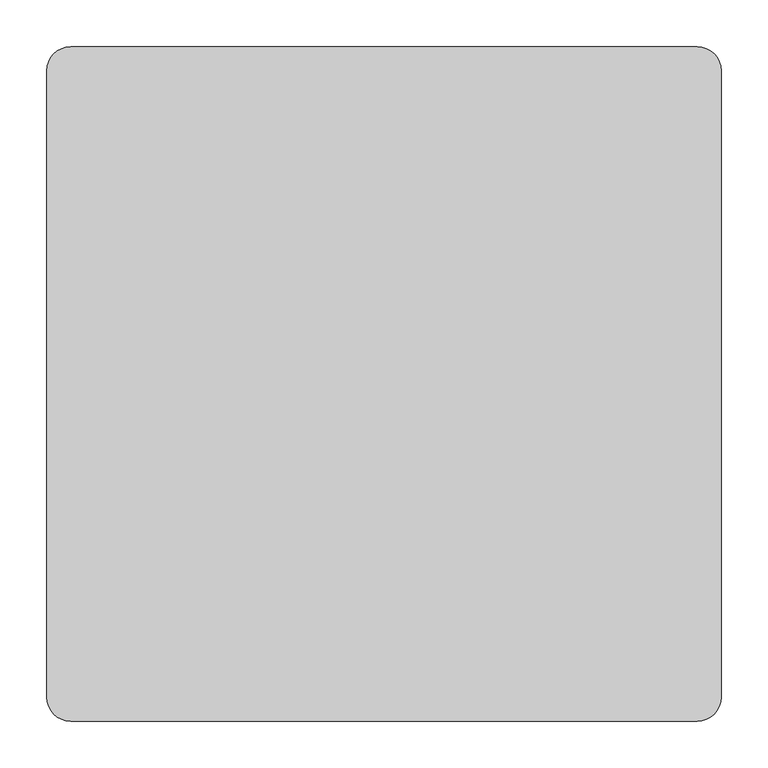
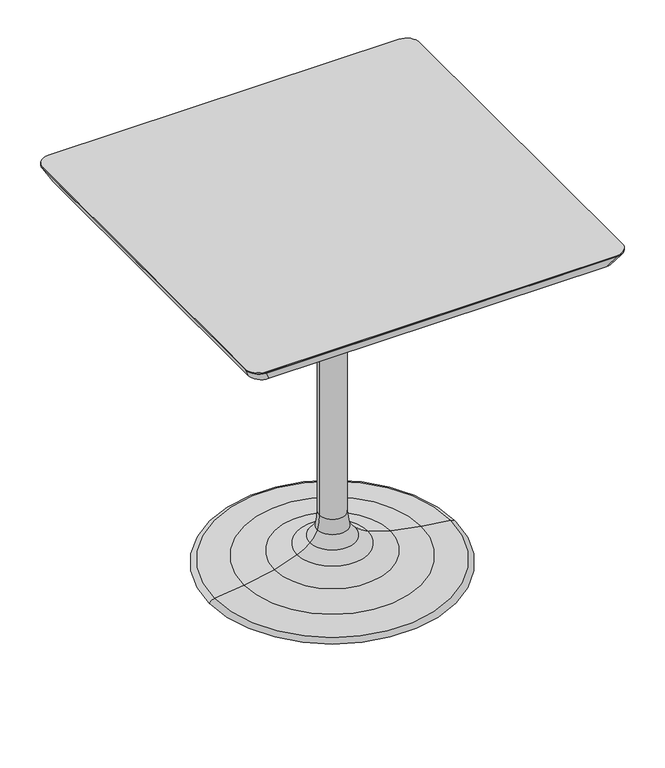
"""IFC4 building model written with IfcOpenShell, lengths in millimetres: furniture geometry."""

from ifc_helpers import new_model, si_unit, point, frame, frame_2d, origin, place, context, project, spatial, polyline, circle_curve, ellipse_curve, trimmed, segment, composite_curve, outline, extrude, source, transform, mapped, element, save
from ifc_brep_helpers import plane_surface, cylinder_surface, revolved_surface, extruded_surface, advanced_brep


def furniture_5439a801(model_context):
    return source(origin(), model_context, "Body", "SolidModel", [
        advanced_brep(
        [(-24.92375, 0.0, 103.9034704), (24.92375, 0.0, 103.9034704), (28.9852947, 0.0, 76.2614348), (-28.9852947, 0.0, 76.2614348), (-235.1702385, 0.0, 0.0), (235.1702385, 0.0, 0.0), (0.0, 0.0, 0.0), (-225.5797628, 0.0, 6.3317609), (225.5797628, 0.0, 6.3317609), (-169.5916105, 0.0, 13.7450132), (169.5916105, 0.0, 13.7450132), (-111.1444513, 0.0, 24.5145298), (111.1444513, 0.0, 24.5145298), (-67.9920708, 0.0, 39.4343904), (67.9920708, 0.0, 39.4343904), (-43.5947227, 0.0, 55.2178338), (43.5947227, 0.0, 55.2178338), (-24.92375, 0.0, 694.6138), (24.92375, 0.0, 694.6138), (0.0, 0.0, 694.6138)],
        [
            (0, 1, circle_curve(frame((0.0, 0.0, 103.9034704), z_axis=(0.0, 0.0, -1.0), x_axis=(1.0, 0.0, 0.0)), 24.92375)),
            (1, 2, circle_curve(frame((114.4590349, 0.0, 102.9398086), z_axis=(0.0, -1.0, 0.0), x_axis=(1.0, 0.0, 0.0)), 89.5404706)),
            (2, 3, circle_curve(frame((0.0, 0.0, 76.2614348), z_axis=(0.0, 0.0, 1.0), x_axis=(1.0, 0.0, 0.0)), 28.9852947)),
            (3, 0, circle_curve(frame((-114.4590349, 0.0, 102.9398086), z_axis=(0.0, -1.0, 0.0), x_axis=(-1.0, 0.0, 0.0)), 89.5404706)),
            (1, 0, circle_curve(frame((0.0, 0.0, 103.9034704), z_axis=(0.0, 0.0, -1.0), x_axis=(1.0, 0.0, 0.0)), 24.92375)),
            (3, 2, circle_curve(frame((0.0, 0.0, 76.2614348), z_axis=(0.0, 0.0, 1.0), x_axis=(1.0, 0.0, 0.0)), 28.9852947)),
            (4, 5, circle_curve(frame((0.0, 0.0, 0.0), z_axis=(0.0, 0.0, -1.0), x_axis=(1.0, 0.0, 0.0)), 235.1702385)),
            (5, 6),
            (6, 4),
            (5, 4, circle_curve(frame((0.0, 0.0, 0.0), z_axis=(0.0, 0.0, -1.0), x_axis=(1.0, 0.0, 0.0)), 235.1702385)),
            (7, 8, circle_curve(frame((0.0, 0.0, 6.3317609), z_axis=(0.0, 0.0, -1.0), x_axis=(1.0, 0.0, 0.0)), 225.5797628)),
            (8, 5, circle_curve(frame((223.5189163, 0.0, -7.2187678), z_axis=(0.0, 1.0, 0.0), x_axis=(1.0, 0.0, 0.0)), 13.7063459)),
            (4, 7, circle_curve(frame((-223.5189163, 0.0, -7.2187678), z_axis=(0.0, 1.0, 0.0), x_axis=(-1.0, 0.0, 0.0)), 13.7063459)),
            (8, 7, circle_curve(frame((0.0, 0.0, 6.3317609), z_axis=(0.0, 0.0, -1.0), x_axis=(1.0, 0.0, 0.0)), 225.5797628)),
            (9, 10, circle_curve(frame((0.0, 0.0, 13.7450132), z_axis=(0.0, 0.0, -1.0), x_axis=(1.0, 0.0, 0.0)), 169.5916105)),
            (10, 8, circle_curve(frame((5.4338515, 0.0, -1441.1770536), z_axis=(0.0, 1.0, 0.0), x_axis=(1.0, 0.0, 0.0)), 1464.1536771)),
            (7, 9, circle_curve(frame((-5.4338515, 0.0, -1441.1770536), z_axis=(0.0, 1.0, 0.0), x_axis=(-1.0, 0.0, 0.0)), 1464.1536771)),
            (10, 9, circle_curve(frame((0.0, 0.0, 13.7450132), z_axis=(0.0, 0.0, -1.0), x_axis=(1.0, 0.0, 0.0)), 169.5916105)),
            (11, 12, circle_curve(frame((0.0, 0.0, 24.5145298), z_axis=(0.0, 0.0, -1.0), x_axis=(1.0, 0.0, 0.0)), 111.1444513)),
            (12, 10, circle_curve(frame((217.3187895, 0.0, 436.7486305), z_axis=(0.0, -1.0, 0.0), x_axis=(1.0, 0.0, 0.0)), 425.687613)),
            (9, 11, circle_curve(frame((-217.3187895, 0.0, 436.7486305), z_axis=(0.0, -1.0, 0.0), x_axis=(-1.0, 0.0, 0.0)), 425.687613)),
            (12, 11, circle_curve(frame((0.0, 0.0, 24.5145298), z_axis=(0.0, 0.0, -1.0), x_axis=(1.0, 0.0, 0.0)), 111.1444513)),
            (13, 14, circle_curve(frame((0.0, 0.0, 39.4343904), z_axis=(0.0, 0.0, -1.0), x_axis=(1.0, 0.0, 0.0)), 67.9920708)),
            (14, 12, circle_curve(frame((181.690368, 0.0, 298.4171793), z_axis=(0.0, -1.0, 0.0), x_axis=(1.0, 0.0, 0.0)), 282.8416301)),
            (11, 13, circle_curve(frame((-181.690368, 0.0, 298.4171793), z_axis=(0.0, -1.0, 0.0), x_axis=(-1.0, 0.0, 0.0)), 282.8416301)),
            (14, 13, circle_curve(frame((0.0, 0.0, 39.4343904), z_axis=(0.0, 0.0, -1.0), x_axis=(1.0, 0.0, 0.0)), 67.9920708)),
            (15, 16, circle_curve(frame((0.0, 0.0, 55.2178338), z_axis=(0.0, 0.0, -1.0), x_axis=(1.0, 0.0, 0.0)), 43.5947227)),
            (16, 14, circle_curve(frame((104.5303424, 0.0, 122.6615249), z_axis=(0.0, -1.0, 0.0), x_axis=(1.0, 0.0, 0.0)), 90.894451)),
            (13, 15, circle_curve(frame((-104.5303424, 0.0, 122.6615249), z_axis=(0.0, -1.0, 0.0), x_axis=(-1.0, 0.0, 0.0)), 90.894451)),
            (16, 15, circle_curve(frame((0.0, 0.0, 55.2178338), z_axis=(0.0, 0.0, -1.0), x_axis=(1.0, 0.0, 0.0)), 43.5947227)),
            (2, 16, circle_curve(frame((81.3908921, 0.0, 97.0507254), z_axis=(0.0, -1.0, 0.0), x_axis=(1.0, 0.0, 0.0)), 56.3785529)),
            (15, 3, circle_curve(frame((-81.3908921, 0.0, 97.0507254), z_axis=(0.0, -1.0, 0.0), x_axis=(-1.0, 0.0, 0.0)), 56.3785529)),
            (17, 18, circle_curve(frame((0.0, 0.0, 694.6138), z_axis=(0.0, 0.0, -1.0), x_axis=(1.0, 0.0, 0.0)), 24.92375)),
            (18, 1),
            (0, 17),
            (18, 17, circle_curve(frame((0.0, 0.0, 694.6138), z_axis=(0.0, 0.0, -1.0), x_axis=(1.0, 0.0, 0.0)), 24.92375)),
            (19, 18),
            (17, 19),
        ],
        [
            revolved_surface(trimmed(ellipse_curve(frame((114.4590349, 0.0, 102.9398086), z_axis=(0.0, 1.0, 0.0), x_axis=(1.0, 0.0, 0.0)), 89.5404706, 89.5404706), [point((28.9852947, 0.0, 76.2614348))], [point((24.92375, 0.0, 103.9034704))], True, "CARTESIAN"), (0.0, 0.0, 2146.909579), (0.0, 0.0, 1.0)),
            plane_surface(frame((0.0, 0.0, 0.0), z_axis=(0.0, 0.0, -1.0), x_axis=(1.0, 0.0, 0.0))),
            revolved_surface(trimmed(ellipse_curve(frame((223.5189163, 0.0, -7.2187678), z_axis=(0.0, -1.0, 0.0), x_axis=(1.0, 0.0, 0.0)), 13.7063459, 13.7063459), [point((235.1702385, 0.0, 0.0))], [point((225.5797628, 0.0, 6.3317609))], True, "CARTESIAN"), (0.0, 0.0, 2146.909579), (0.0, 0.0, 1.0)),
            revolved_surface(trimmed(ellipse_curve(frame((5.4338515, 0.0, -1441.1770536), z_axis=(0.0, -1.0, 0.0), x_axis=(1.0, 0.0, 0.0)), 1464.1536771, 1464.1536771), [point((225.5797628, 0.0, 6.3317609))], [point((169.5916105, 0.0, 13.7450132))], True, "CARTESIAN"), (0.0, 0.0, 2146.909579), (0.0, 0.0, 1.0)),
            revolved_surface(trimmed(ellipse_curve(frame((217.3187895, 0.0, 436.7486305), z_axis=(0.0, 1.0, 0.0), x_axis=(1.0, 0.0, 0.0)), 425.687613, 425.687613), [point((169.5916105, 0.0, 13.7450132))], [point((111.1444513, 0.0, 24.5145298))], True, "CARTESIAN"), (0.0, 0.0, 2146.909579), (0.0, 0.0, 1.0)),
            revolved_surface(trimmed(ellipse_curve(frame((181.690368, 0.0, 298.4171793), z_axis=(0.0, 1.0, 0.0), x_axis=(1.0, 0.0, 0.0)), 282.8416301, 282.8416301), [point((111.1444513, 0.0, 24.5145298))], [point((67.9920708, 0.0, 39.4343904))], True, "CARTESIAN"), (0.0, 0.0, 2146.909579), (0.0, 0.0, 1.0)),
            revolved_surface(trimmed(ellipse_curve(frame((104.5303424, 0.0, 122.6615249), z_axis=(0.0, 1.0, 0.0), x_axis=(1.0, 0.0, 0.0)), 90.894451, 90.894451), [point((67.9920708, 0.0, 39.4343904))], [point((43.5947227, 0.0, 55.2178338))], True, "CARTESIAN"), (0.0, 0.0, 2146.909579), (0.0, 0.0, 1.0)),
            revolved_surface(trimmed(ellipse_curve(frame((81.3908921, 0.0, 97.0507254), z_axis=(0.0, 1.0, 0.0), x_axis=(1.0, 0.0, 0.0)), 56.3785529, 56.3785529), [point((43.5947227, 0.0, 55.2178338))], [point((28.9852947, 0.0, 76.2614348))], True, "CARTESIAN"), (0.0, 0.0, 2146.909579), (0.0, 0.0, 1.0)),
            cylinder_surface(frame((0.0, 0.0, 2146.909579), z_axis=(0.0, 0.0, 1.0), x_axis=(1.0, 0.0, 0.0)), 24.92375),
            plane_surface(frame((0.0, 0.0, 694.6138), z_axis=(0.0, 0.0, 1.0), x_axis=(1.0, 0.0, 0.0))),
        ],
        [
            (0, [[1, 2, 3, 4]]),
            (0, [[5, -4, 6, -2]]),
            (1, [[7, 8, 9]]),
            (1, [[10, -9, -8]]),
            (2, [[11, 12, -7, 13]]),
            (2, [[14, -13, -10, -12]]),
            (3, [[15, 16, -11, 17]]),
            (3, [[18, -17, -14, -16]]),
            (4, [[19, 20, -15, 21]]),
            (4, [[22, -21, -18, -20]]),
            (5, [[23, 24, -19, 25]]),
            (5, [[26, -25, -22, -24]]),
            (6, [[27, 28, -23, 29]]),
            (6, [[30, -29, -26, -28]]),
            (7, [[-3, 31, -27, 32]]),
            (7, [[-6, -32, -30, -31]]),
            (8, [[33, 34, -1, 35]]),
            (8, [[36, -35, -5, -34]]),
            (9, [[37, -33, 38]]),
            (9, [[-38, -36, -37]]),
        ],
    ),
        advanced_brep(
        [(-359.99928, 334.59928, 717.4738), (-359.99928, -334.59928, 717.4738), (-334.59928, -359.99928, 717.4738), (334.59928, -359.99928, 717.4738), (359.99928, -334.59928, 717.4738), (359.99928, 334.59928, 717.4738), (334.59928, 359.99928, 717.4738), (-334.59928, 359.99928, 717.4738), (-347.29928, 321.89928, 694.6138), (-321.89928, 347.29928, 694.6138), (321.89928, 347.29928, 694.6138), (347.29928, 321.89928, 694.6138), (347.29928, -321.89928, 694.6138), (321.89928, -347.29928, 694.6138), (-321.89928, -347.29928, 694.6138), (-347.29928, -321.89928, 694.6138)],
        [
            (0, 1),
            (1, 2, circle_curve(frame((-334.59928, -334.59928, 717.4738), z_axis=(0.0, 0.0, 1.0), x_axis=(1.0, 0.0, 0.0)), 25.4)),
            (2, 3),
            (3, 4, circle_curve(frame((334.59928, -334.59928, 717.4738), z_axis=(0.0, 0.0, 1.0), x_axis=(1.0, 0.0, 0.0)), 25.4)),
            (4, 5),
            (5, 6, circle_curve(frame((334.59928, 334.59928, 717.4738), z_axis=(0.0, 0.0, 1.0), x_axis=(1.0, 0.0, 0.0)), 25.4)),
            (6, 7),
            (7, 0, circle_curve(frame((-334.59928, 334.59928, 717.4738), z_axis=(0.0, 0.0, 1.0), x_axis=(1.0, 0.0, 0.0)), 25.4)),
            (8, 9, circle_curve(frame((-321.89928, 321.89928, 694.6138), z_axis=(0.0, 0.0, -1.0), x_axis=(1.0, 0.0, 0.0)), 25.4)),
            (9, 10),
            (10, 11, circle_curve(frame((321.89928, 321.89928, 694.6138), z_axis=(0.0, 0.0, -1.0), x_axis=(1.0, 0.0, 0.0)), 25.4)),
            (11, 12),
            (12, 13, circle_curve(frame((321.89928, -321.89928, 694.6138), z_axis=(0.0, 0.0, -1.0), x_axis=(1.0, 0.0, 0.0)), 25.4)),
            (13, 14),
            (14, 15, circle_curve(frame((-321.89928, -321.89928, 694.6138), z_axis=(0.0, 0.0, -1.0), x_axis=(1.0, 0.0, 0.0)), 25.4)),
            (15, 8),
            (15, 1),
            (0, 8),
            (14, 2),
            (13, 3),
            (12, 4),
            (11, 5),
            (10, 6),
            (9, 7),
        ],
        [
            plane_surface(frame((0.0, 0.0, 717.4738), z_axis=(0.0, 0.0, 1.0), x_axis=(0.0, -1.0, 0.0))),
            plane_surface(frame((0.0, 0.0, 694.6138), z_axis=(0.0, 0.0, -1.0), x_axis=(0.0, -1.0, 0.0))),
            plane_surface(frame((-347.29928, 0.0, 694.6138), z_axis=(-0.8741572761215368, 0.0, -0.4856429311786339), x_axis=(0.0, -1.0, 0.0))),
            extruded_surface(trimmed(circle_curve(frame((-321.89928, -321.89928, 694.6138), z_axis=(0.0, 0.0, 1.0), x_axis=(1.0, 0.0, 0.0)), 25.4), [point((-347.29928, -321.89928, 694.6138))], [point((-321.89928, -347.29928, 694.6138))], True, "CARTESIAN"), (-12.700000000000045, -12.700000000000045, 22.860000000000014), 29.071628781339427),
            plane_surface(frame((0.0, -347.29928, 694.6138), z_axis=(0.0, -0.8741572761215379, -0.4856429311786319), x_axis=(1.0, 0.0, 0.0))),
            extruded_surface(trimmed(circle_curve(frame((321.89928, -321.89928, 694.6138), z_axis=(0.0, 0.0, 1.0), x_axis=(1.0, 0.0, 0.0)), 25.4), [point((321.89928, -347.29928, 694.6138))], [point((347.29928, -321.89928, 694.6138))], True, "CARTESIAN"), (12.700000000000045, -12.700000000000045, 22.860000000000014), 29.071628781339427),
            plane_surface(frame((347.29928, 0.0, 694.6138), z_axis=(0.874157276121539, 0.0, -0.48564293117862994), x_axis=(0.0, 1.0, 0.0))),
            extruded_surface(trimmed(circle_curve(frame((321.89928, 321.89928, 694.6138), z_axis=(0.0, 0.0, 1.0), x_axis=(1.0, 0.0, 0.0)), 25.4), [point((347.29928, 321.89928, 694.6138))], [point((321.89928, 347.29928, 694.6138))], True, "CARTESIAN"), (12.700000000000045, 12.700000000000045, 22.860000000000014), 29.071628781339427),
            plane_surface(frame((0.0, 347.29928, 694.6138), z_axis=(0.0, 0.8741572761215379, -0.4856429311786319), x_axis=(-1.0, 0.0, 0.0))),
            extruded_surface(trimmed(circle_curve(frame((-321.89928, 321.89928, 694.6138), z_axis=(0.0, 0.0, 1.0), x_axis=(1.0, 0.0, 0.0)), 25.4), [point((-321.89928, 347.29928, 694.6138))], [point((-347.29928, 321.89928, 694.6138))], True, "CARTESIAN"), (-12.700000000000045, 12.700000000000045, 22.860000000000014), 29.071628781339427),
        ],
        [
            (0, [[1, 2, 3, 4, 5, 6, 7, 8]]),
            (1, [[9, 10, 11, 12, 13, 14, 15, 16]]),
            (2, [[-16, 17, -1, 18]]),
            (3, [[-15, 19, -2, -17]]),
            (4, [[-14, 20, -3, -19]]),
            (5, [[-13, 21, -4, -20]]),
            (6, [[-12, 22, -5, -21]]),
            (7, [[-11, 23, -6, -22]]),
            (8, [[-10, 24, -7, -23]]),
            (9, [[-9, -18, -8, -24]]),
        ],
    ),
        extrude(outline(composite_curve([segment(trimmed(circle_curve(frame_2d((334.59928, 334.59928)), 25.4), [point((334.59928, 359.99928))], [point((359.99928, 334.59928))], False, "CARTESIAN"), True, "CONTINUOUS"), segment(polyline([(359.99928, 334.59928), (359.99928, -334.59928)]), True, "CONTINUOUS"), segment(trimmed(circle_curve(frame_2d((334.59928, -334.59928)), 25.4), [point((359.99928, -334.59928))], [point((334.59928, -359.99928))], False, "CARTESIAN"), True, "CONTINUOUS"), segment(polyline([(334.59928, -359.99928), (-334.59928, -359.99928)]), True, "CONTINUOUS"), segment(trimmed(circle_curve(frame_2d((-334.59928, -334.59928)), 25.4), [point((-334.59928, -359.99928))], [point((-359.99928, -334.59928))], False, "CARTESIAN"), True, "CONTINUOUS"), segment(polyline([(-359.99928, -334.59928), (-359.99928, 334.59928)]), True, "CONTINUOUS"), segment(trimmed(circle_curve(frame_2d((-334.59928, 334.59928)), 25.4), [point((-359.99928, 334.59928))], [point((-334.59928, 359.99928))], False, "CARTESIAN"), True, "CONTINUOUS"), segment(polyline([(-334.59928, 359.99928), (334.59928, 359.99928)]), True, "CONTINUOUS")], self_intersect=False)), frame((0.0, 0.0, 717.4738), z_axis=(0.0, 0.0, 1.0), x_axis=(1.0, 0.0, 0.0)), (0.0, 0.0, 1.0), 2.54),
    ])


if __name__ == "__main__":
    model = new_model("IFC4")
    model_context = context("Model", 3, world=origin())
    ifc_project = project(units=[si_unit("LENGTHUNIT", "METRE", prefix="MILLI")], contexts=[model_context])
    site = spatial("IfcSite", under=ifc_project)
    building = spatial("IfcBuilding", under=site)
    placement = place(None, origin())
    furniture_shape = furniture_5439a801(model_context)
    element("IfcFurniture", 1, at=placement, inside=building, context=model_context, shape_type="MappedRepresentation", body=[
        mapped(furniture_shape, transform((0.0, 0.0, 0.0), x_axis=(1.0, 0.0, 0.0), y_axis=(0.0, 1.0, 0.0), z_axis=(0.0, 0.0, 1.0))),
    ])
    save(model, "model.ifc")
